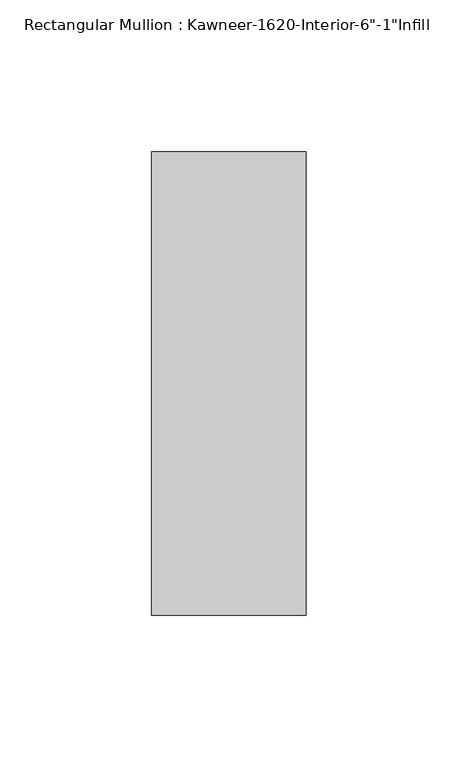
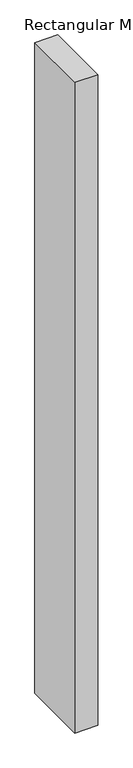
"""IFC4 building model written with IfcOpenShell, lengths in millimetres: member geometry."""

from ifc_helpers import new_model, si_unit, frame, origin, place, context, project, spatial, polyline, outline, extrude, source, transform, mapped, element, save


def member_dfb1fab1(model_context):
    return source(origin(), model_context, "Body", "SweptSolid", [
        extrude(outline(polyline([(25.4, -114.3), (-25.4, -114.3), (-25.4, 38.1), (25.4, 38.1), (25.4, -114.3)])), frame((0.0, 0.0, -1518.5182369), z_axis=(0.0, 0.0, 1.0), x_axis=(1.0, 0.0, 0.0)), (0.0, 0.0, 1.0), 1518.5182369),
    ])


if __name__ == "__main__":
    model = new_model("IFC4")
    model_context = context("Model", 3, world=origin())
    ifc_project = project(units=[si_unit("LENGTHUNIT", "METRE", prefix="MILLI")], contexts=[model_context])
    site = spatial("IfcSite", under=ifc_project)
    building = spatial("IfcBuilding", under=site)
    placement = place(None, origin())
    member_shape = member_dfb1fab1(model_context)
    element("IfcMember", 1, ObjectType="Rectangular Mullion : Kawneer-1620-Interior-6\"-1\"Infill", at=placement, inside=building, context=model_context, shape_type="MappedRepresentation", body=[
        mapped(member_shape, transform((0.0, 0.0, 0.0), x_axis=(1.0, 0.0, 0.0), y_axis=(0.0, 1.0, 0.0), z_axis=(0.0, 0.0, 1.0))),
    ])
    save(model, "model.ifc")
